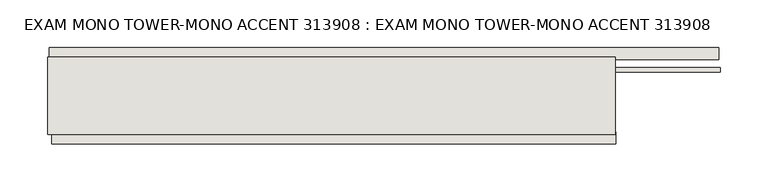
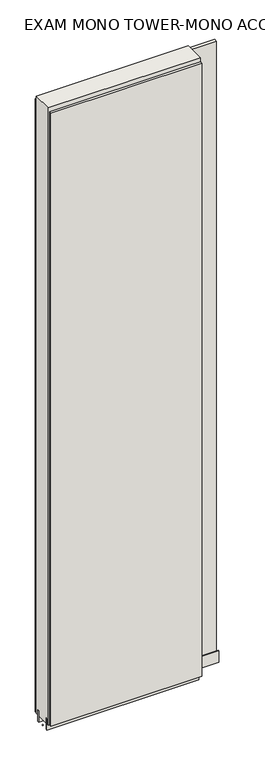
"""IFC4 building model written with IfcOpenShell, lengths in millimetres: wall geometry, EXAM MONO TOWER-MONO ACCENT 313908 : EXAM MONO TOWER-MONO ACCENT 313908."""

from ifc_helpers import new_model, si_unit, frame, origin, place, context, project, spatial, polyline, outline, extrude, source, transform, mapped, element, save


def exam_mono_tower_mono_accent_313908_exam_mono_tower_mono_f2b41220(model_context):
    return source(origin(), model_context, "Body", "SweptSolid", [
        extrude(outline(polyline([(72784.9576048, -53335.9245954), (72782.4176048, -53335.9245954), (72782.4176048, -53333.3845954), (72784.9576048, -53333.3845954), (72784.9576048, -53335.9245954)])), frame((0.0, 0.0, 4419.6), z_axis=(0.0, 0.0, 1.0), x_axis=(1.0, 0.0, 0.0)), (0.0, 0.0, 1.0), 2.54),
        extrude(outline(polyline([(72784.4184136, -53283.8545954), (73487.9184036, -53283.8545954), (73487.9184036, -53296.5545954), (72784.4184136, -53296.5545954), (72784.4184136, -53283.8545954)])), frame((0.0, 0.0, 4445.0), z_axis=(0.0, 0.0, 1.0), x_axis=(1.0, 0.0, 0.0)), (0.0, 0.0, 1.0), 2545.0498756),
        extrude(outline(polyline([(73379.7782084, -53385.4545954), (72786.8782512, -53385.4545954), (72786.8782512, -53372.7545954), (73379.7782084, -53372.7545954), (73379.7782084, -53385.4545954)])), frame((0.0, 0.0, 4445.0), z_axis=(0.0, 0.0, 1.0), x_axis=(1.0, 0.0, 0.0)), (0.0, 0.0, 1.0), 2545.0498756),
        extrude(outline(polyline([(73489.920457, -53309.5708508), (72782.403965, -53309.5708508), (72782.403965, -53304.4920954), (73489.920457, -53304.4920954), (73489.920457, -53309.5708508)])), frame((0.0, 0.0, 4418.6602), z_axis=(0.0, 0.0, 1.0), x_axis=(1.0, 0.0, 0.0)), (0.0, 0.0, 1.0), 47.625),
        extrude(outline(polyline([(73489.920457, -53309.5708508), (72782.403965, -53309.5708508), (72782.403965, -53304.4920954), (73489.920457, -53304.4920954), (73489.920457, -53309.5708508)])), frame((0.0, 0.0, 4418.6602), z_axis=(0.0, 0.0, 1.0), x_axis=(1.0, 0.0, 0.0)), (0.0, 0.0, 1.0), 47.625),
        extrude(outline(polyline([(72782.403965, -53359.73834), (73379.303965, -53359.73834), (73379.303965, -53364.8170954), (72782.403965, -53364.8170954), (72782.403965, -53359.73834)])), frame((0.0, 0.0, 4418.6602), z_axis=(0.0, 0.0, 1.0), x_axis=(1.0, 0.0, 0.0)), (0.0, 0.0, 1.0), 47.625),
        extrude(outline(polyline([(72782.403965, -53359.73834), (73379.303965, -53359.73834), (73379.303965, -53364.8170954), (72782.403965, -53364.8170954), (72782.403965, -53359.73834)])), frame((0.0, 0.0, 4418.6602), z_axis=(0.0, 0.0, 1.0), x_axis=(1.0, 0.0, 0.0)), (0.0, 0.0, 1.0), 47.625),
        extrude(outline(polyline([(73379.303965, -53293.999711), (73379.303965, -53375.3032822), (72782.403965, -53375.3032822), (72782.403965, -53293.999711), (73379.303965, -53293.999711)])), frame((0.0, 0.0, 4445.0), z_axis=(0.0, 0.0, 1.0), x_axis=(1.0, 0.0, 0.0)), (0.0, 0.0, 1.0), 2562.4536762),
    ])


if __name__ == "__main__":
    model = new_model("IFC4")
    model_context = context("Model", 3, world=origin())
    ifc_project = project(units=[si_unit("LENGTHUNIT", "METRE", prefix="MILLI")], contexts=[model_context])
    site = spatial("IfcSite", under=ifc_project)
    building = spatial("IfcBuilding", under=site)
    placement = place(None, origin())
    exam_mono_tower_mono_accent_313908_exam_mono_tower_mono_shape = exam_mono_tower_mono_accent_313908_exam_mono_tower_mono_f2b41220(model_context)
    element("IfcWall", 1, ObjectType="EXAM MONO TOWER-MONO ACCENT 313908 : EXAM MONO TOWER-MONO ACCENT 313908", at=placement, inside=building, context=model_context, shape_type="MappedRepresentation", body=[
        mapped(exam_mono_tower_mono_accent_313908_exam_mono_tower_mono_shape, transform((0.0, 0.0, 0.0), x_axis=(1.0, 0.0, 0.0), y_axis=(0.0, 1.0, 0.0), z_axis=(0.0, 0.0, 1.0))),
    ])
    save(model, "model.ifc")
